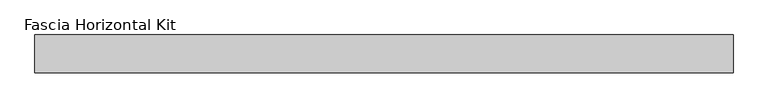
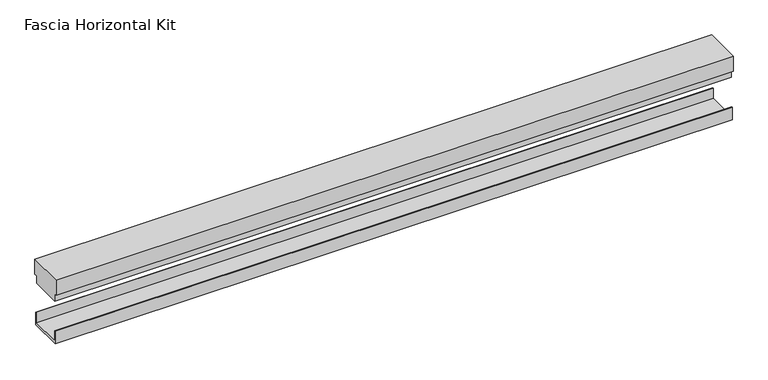
"""IFC4 building model written with IfcOpenShell, lengths in millimetres: proxy geometry, Fascia Horizontal Kit."""

from ifc_helpers import new_model, si_unit, frame, origin, place, context, project, spatial, polyline, outline, extrude, source, transform, mapped, element, save


def fascia_horizontal_kit_d9fd41a9(model_context):
    return source(origin(), model_context, "Body", "SweptSolid", [
        extrude(outline(polyline([(94.0992263, 4.58724), (94.0992263, 23.2156), (95.2574663, 23.2156), (95.2574663, 0.0), (37.2438663, 0.0), (37.2438663, 23.2156), (38.4021063, 23.2156), (38.4021063, 4.58724), (94.0992263, 4.58724)])), frame((-690.4904615, 0.0, 0.0), z_axis=(1.0, 0.0, 0.0), x_axis=(0.0, 1.0, 0.0)), (0.0, 0.0, 1.0), 1180.2962009),
        extrude(outline(polyline([(98.4324663, 119.029), (98.4324663, 91.029), (93.5466663, 91.029), (93.5466663, 77.0336001), (38.9546663, 77.0336001), (38.9546663, 91.029), (34.0688663, 91.029), (34.0688663, 119.029), (98.4324663, 119.029)])), frame((-690.4904615, 0.0, 0.0), z_axis=(1.0, 0.0, 0.0), x_axis=(0.0, 1.0, 0.0)), (0.0, 0.0, 1.0), 1180.2962009),
    ])


if __name__ == "__main__":
    model = new_model("IFC4")
    model_context = context("Model", 3, world=origin())
    ifc_project = project(units=[si_unit("LENGTHUNIT", "METRE", prefix="MILLI")], contexts=[model_context])
    site = spatial("IfcSite", under=ifc_project)
    building = spatial("IfcBuilding", under=site)
    placement = place(None, origin())
    fascia_horizontal_kit_shape = fascia_horizontal_kit_d9fd41a9(model_context)
    element("IfcBuildingElementProxy", 1, Name="Fascia Horizontal Kit", ObjectType="Fascia Horizontal Kit", at=placement, inside=building, context=model_context, shape_type="MappedRepresentation", body=[
        mapped(fascia_horizontal_kit_shape, transform((0.0, 0.0, 0.0), x_axis=(1.0, 0.0, 0.0), y_axis=(0.0, 1.0, 0.0), z_axis=(0.0, 0.0, 1.0))),
    ])
    save(model, "model.ifc")
